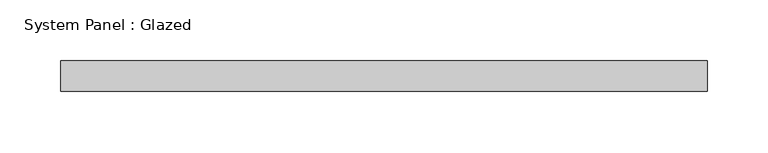
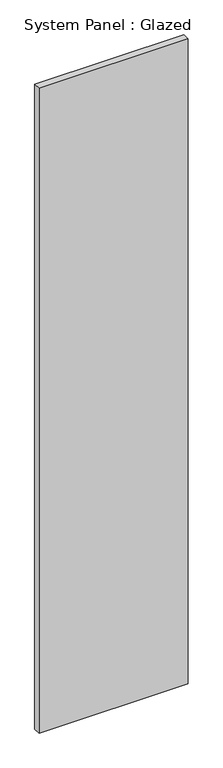
"""IFC4 building model written with IfcOpenShell, lengths in millimetres: plate geometry, System Panel : Glazed."""

from ifc_helpers import new_model, si_unit, origin, origin_with_axes, place, context, project, spatial, polyline, outline, extrude, source, transform, mapped, element, save


def system_panel_glazed_e3ffa4c4(model_context):
    return source(origin(), model_context, "Body", "SweptSolid", [
        extrude(outline(polyline([(266.7, 19.05), (-266.7, 19.05), (-266.7, 44.45), (266.7, 44.45), (266.7, 19.05)])), origin_with_axes(), (0.0, 0.0, 1.0), 2438.4),
    ])


if __name__ == "__main__":
    model = new_model("IFC4")
    model_context = context("Model", 3, world=origin())
    ifc_project = project(units=[si_unit("LENGTHUNIT", "METRE", prefix="MILLI")], contexts=[model_context])
    site = spatial("IfcSite", under=ifc_project)
    building = spatial("IfcBuilding", under=site)
    placement = place(None, origin())
    system_panel_glazed_shape = system_panel_glazed_e3ffa4c4(model_context)
    element("IfcPlate", 1, ObjectType="System Panel : Glazed", at=placement, inside=building, context=model_context, shape_type="MappedRepresentation", body=[
        mapped(system_panel_glazed_shape, transform((0.0, 0.0, 0.0), x_axis=(1.0, 0.0, 0.0), y_axis=(0.0, 1.0, 0.0), z_axis=(0.0, 0.0, 1.0))),
    ])
    save(model, "model.ifc")
